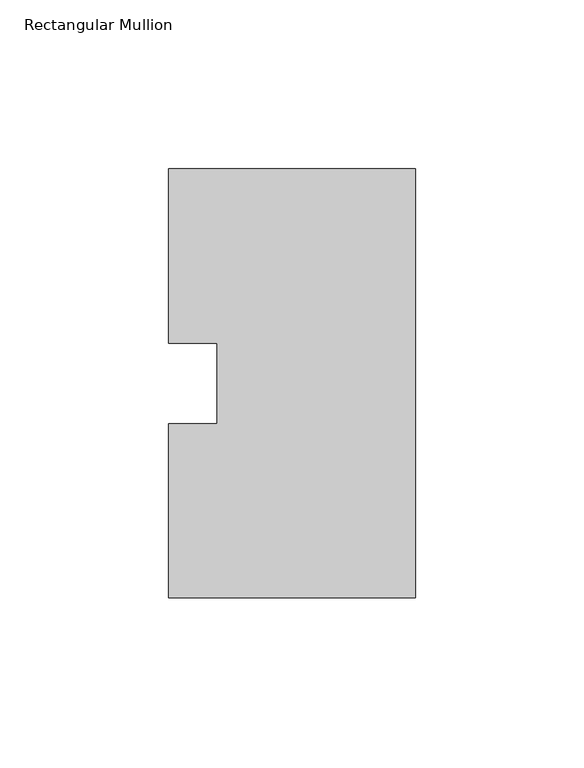
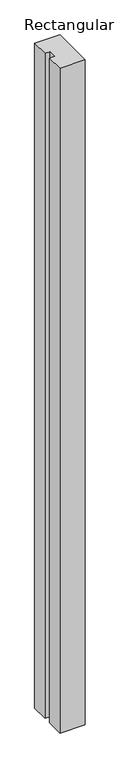
"""IFC4 building model written with IfcOpenShell, lengths in millimetres: member geometry, Rectangular Mullion."""

from ifc_helpers import new_model, si_unit, frame, origin, place, context, project, spatial, polyline, outline, extrude, source, transform, mapped, element, save


def rectangular_mullion_0ae21a74(model_context):
    return source(origin(), model_context, "Body", "SweptSolid", [
        extrude(outline(polyline([(0.0, 127.00635), (0.0, 0.00635), (-73.025, 0.00635), (-73.025, 51.60645), (-58.7375, 51.60645), (-58.7375, 75.40625), (-73.025, 75.40625), (-73.025, 127.00635), (0.0, 127.00635)])), frame((0.0, 0.0, -2044.7177772), z_axis=(0.0, 0.0, 1.0), x_axis=(1.0, 0.0, 0.0)), (0.0, 0.0, 1.0), 2044.7177772),
    ])


if __name__ == "__main__":
    model = new_model("IFC4")
    model_context = context("Model", 3, world=origin())
    ifc_project = project(units=[si_unit("LENGTHUNIT", "METRE", prefix="MILLI")], contexts=[model_context])
    site = spatial("IfcSite", under=ifc_project)
    building = spatial("IfcBuilding", under=site)
    placement = place(None, origin())
    rectangular_mullion_shape = rectangular_mullion_0ae21a74(model_context)
    element("IfcMember", 1, ObjectType="Rectangular Mullion", at=placement, inside=building, context=model_context, shape_type="MappedRepresentation", body=[
        mapped(rectangular_mullion_shape, transform((0.0, 0.0, 0.0), x_axis=(1.0, 0.0, 0.0), y_axis=(0.0, 1.0, 0.0), z_axis=(0.0, 0.0, 1.0))),
    ])
    save(model, "model.ifc")
